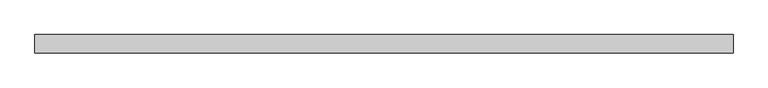
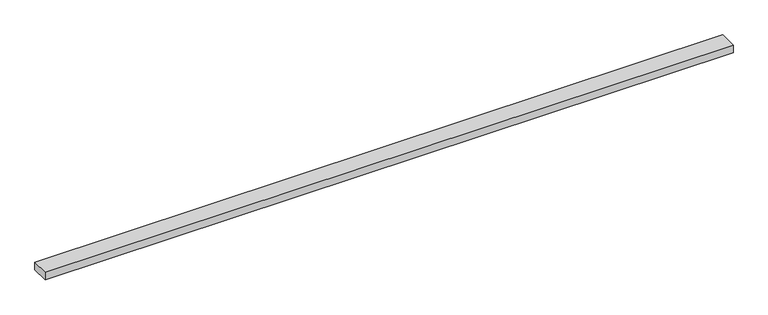
"""IFC4 building model written with IfcOpenShell, lengths in millimetres: beam geometry."""

from ifc_helpers import new_model, si_unit, frame, origin, place, context, project, spatial, polyline, outline, extrude, source, transform, mapped, element, save


def beam_78808809(model_context):
    return source(origin(), model_context, "Body", "SweptSolid", [
        extrude(outline(polyline([(956.2457605, 25.0), (956.2457605, -25.0), (-956.2457605, -25.0), (-956.2457605, 25.0), (956.2457605, 25.0)])), frame((0.0, 0.0, -11.0), z_axis=(0.0, 0.0, 1.0), x_axis=(1.0, 0.0, 0.0)), (0.0, 0.0, 1.0), 22.0),
    ])


if __name__ == "__main__":
    model = new_model("IFC4")
    model_context = context("Model", 3, world=origin())
    ifc_project = project(units=[si_unit("LENGTHUNIT", "METRE", prefix="MILLI")], contexts=[model_context])
    site = spatial("IfcSite", under=ifc_project)
    building = spatial("IfcBuilding", under=site)
    placement = place(None, origin())
    beam_shape = beam_78808809(model_context)
    element("IfcBeam", 1, at=placement, inside=building, context=model_context, shape_type="MappedRepresentation", body=[
        mapped(beam_shape, transform((0.0, 0.0, 0.0), x_axis=(1.0, 0.0, 0.0), y_axis=(0.0, 1.0, 0.0), z_axis=(0.0, 0.0, 1.0))),
    ])
    save(model, "model.ifc")
